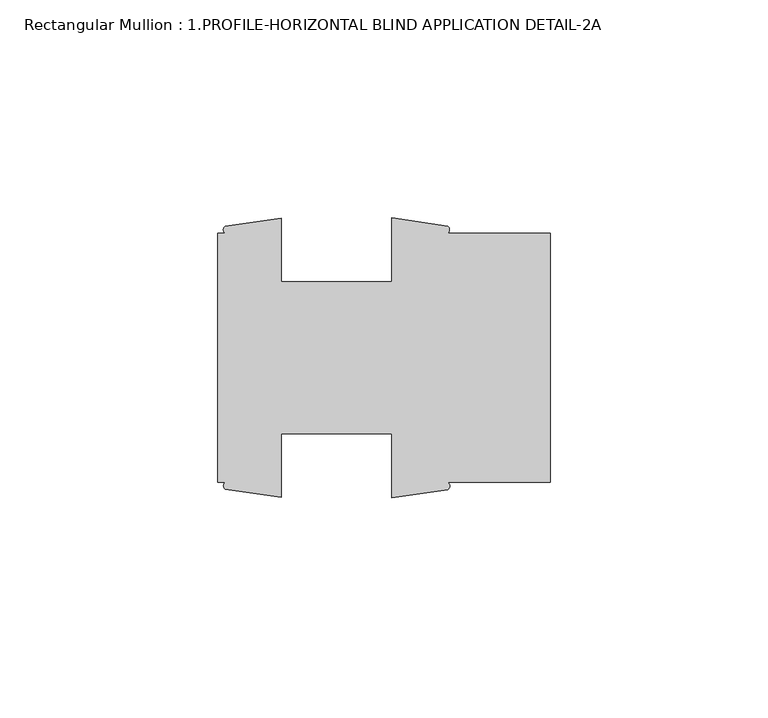
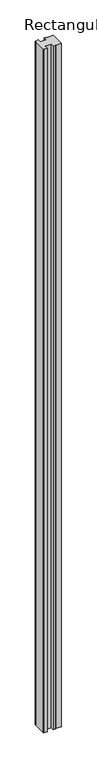
"""IFC4 building model written with IfcOpenShell, lengths in millimetres: member geometry, Rectangular Mullion : 1.PROFILE-HORIZONTAL BLIND APPLICATION DETAIL-2A."""

from ifc_helpers import new_model, si_unit, point, frame, frame_2d, origin, place, context, project, spatial, polyline, circle_curve, trimmed, segment, composite_curve, outline, extrude, source, transform, mapped, element, save


def rectangular_mullion_1_profile_horizontal_blind_application_81a84684(model_context):
    return source(origin(), model_context, "Body", "SweptSolid", [
        extrude(outline(composite_curve([segment(polyline([(-76.2, 0.0), (-76.2, 57.15), (-74.4677625, 57.15)]), True, "CONTINUOUS"), segment(trimmed(circle_curve(frame_2d((-74.0600233, 57.9429481)), 0.8916378), [point((-74.4677625, 57.15))], [point((-74.4677625, 58.7358963))], False, "CARTESIAN"), True, "CONTINUOUS"), segment(polyline([(-74.4677625, 58.7358963), (-61.696475, 60.546), (-61.696475, 46.0375), (-36.296475, 46.0375), (-36.296475, 60.6695217), (-23.5234222, 58.8134044)]), True, "CONTINUOUS"), segment(trimmed(circle_curve(frame_2d((-24.0984536, 57.9817022)), 1.0111328), [point((-23.5234222, 58.8134044))], [point((-23.5234222, 57.15))], False, "CARTESIAN"), True, "CONTINUOUS"), segment(polyline([(-23.5234222, 57.15), (0.0, 57.15), (0.0, 0.0), (-23.5234222, 0.0)]), True, "CONTINUOUS"), segment(trimmed(circle_curve(frame_2d((-23.9441691, -0.8317022)), 0.9320711), [point((-23.5234222, 0.0))], [point((-23.5234222, -1.6634044))], False, "CARTESIAN"), True, "CONTINUOUS"), segment(polyline([(-23.5234222, -1.6634044), (-36.296475, -3.5195217), (-36.296475, 11.1125), (-61.696475, 11.1125), (-61.696475, -3.396), (-74.4677625, -1.5858963)]), True, "CONTINUOUS"), segment(trimmed(circle_curve(frame_2d((-74.006642, -0.7929481)), 0.917278), [point((-74.4677625, -1.5858963))], [point((-74.4677625, 0.0))], False, "CARTESIAN"), True, "CONTINUOUS"), segment(polyline([(-74.4677625, 0.0), (-76.2, 0.0)]), True, "CONTINUOUS")], self_intersect=False)), frame((0.0, 0.0, -3048.0), z_axis=(0.0, 0.0, 1.0), x_axis=(1.0, 0.0, 0.0)), (0.0, 0.0, 1.0), 3048.0),
    ])


if __name__ == "__main__":
    model = new_model("IFC4")
    model_context = context("Model", 3, world=origin())
    ifc_project = project(units=[si_unit("LENGTHUNIT", "METRE", prefix="MILLI")], contexts=[model_context])
    site = spatial("IfcSite", under=ifc_project)
    building = spatial("IfcBuilding", under=site)
    placement = place(None, origin())
    rectangular_mullion_1_profile_horizontal_blind_application_shape = rectangular_mullion_1_profile_horizontal_blind_application_81a84684(model_context)
    element("IfcMember", 1, ObjectType="Rectangular Mullion : 1.PROFILE-HORIZONTAL BLIND APPLICATION DETAIL-2A", at=placement, inside=building, context=model_context, shape_type="MappedRepresentation", body=[
        mapped(rectangular_mullion_1_profile_horizontal_blind_application_shape, transform((0.0, 0.0, 0.0), x_axis=(1.0, 0.0, 0.0), y_axis=(0.0, 1.0, 0.0), z_axis=(0.0, 0.0, 1.0))),
    ])
    save(model, "model.ifc")
